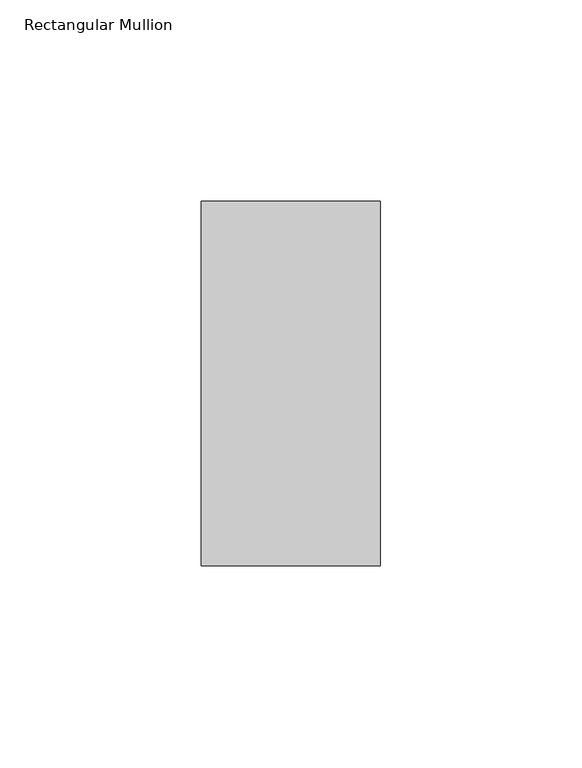
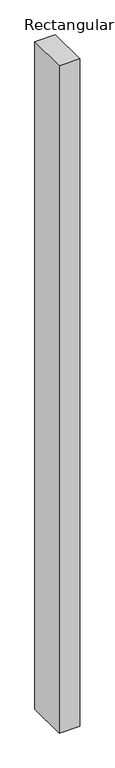
"""IFC4 building model written with IfcOpenShell, lengths in millimetres: member geometry, Rectangular Mullion."""

from ifc_helpers import new_model, si_unit, frame, origin, place, context, project, spatial, polyline, outline, extrude, source, transform, mapped, element, save


def rectangular_mullion_6fac1335(model_context):
    return source(origin(), model_context, "Body", "SweptSolid", [
        extrude(outline(polyline([(22.2210275, 45.2274954), (22.2210275, -45.1980997), (-22.225, -45.1980997), (-22.225, 45.2274954), (22.2210275, 45.2274954)])), frame((0.0, 0.0, -1524.0), z_axis=(0.0, 0.0, 1.0), x_axis=(1.0, 0.0, 0.0)), (0.0, 0.0, 1.0), 1524.0),
    ])


if __name__ == "__main__":
    model = new_model("IFC4")
    model_context = context("Model", 3, world=origin())
    ifc_project = project(units=[si_unit("LENGTHUNIT", "METRE", prefix="MILLI")], contexts=[model_context])
    site = spatial("IfcSite", under=ifc_project)
    building = spatial("IfcBuilding", under=site)
    placement = place(None, origin())
    rectangular_mullion_shape = rectangular_mullion_6fac1335(model_context)
    element("IfcMember", 1, ObjectType="Rectangular Mullion", at=placement, inside=building, context=model_context, shape_type="MappedRepresentation", body=[
        mapped(rectangular_mullion_shape, transform((0.0, 0.0, 0.0), x_axis=(1.0, 0.0, 0.0), y_axis=(0.0, 1.0, 0.0), z_axis=(0.0, 0.0, 1.0))),
    ])
    save(model, "model.ifc")
